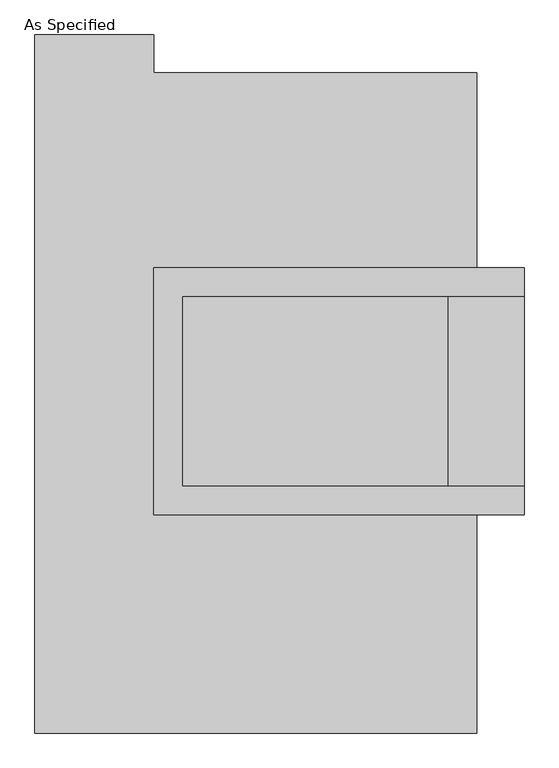
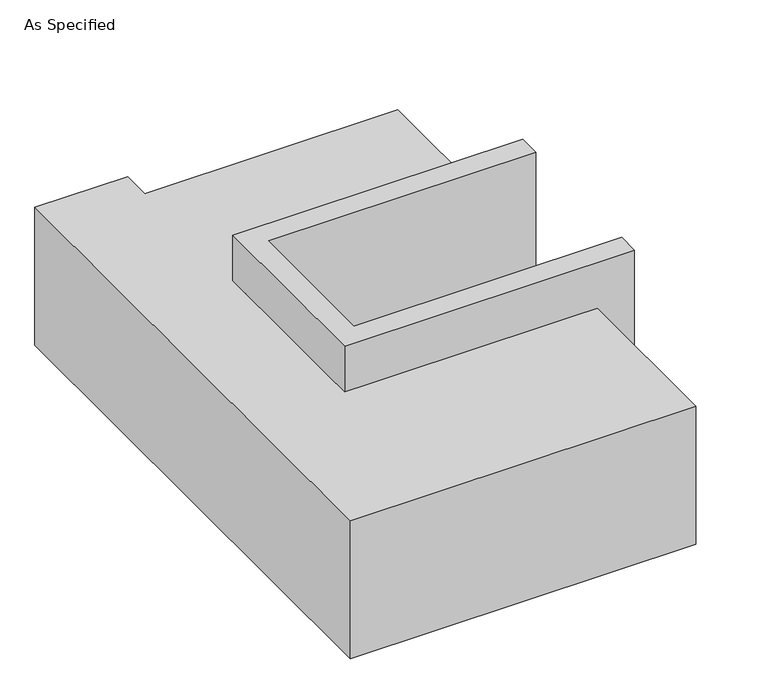
"""IFC4 building model written with IfcOpenShell, lengths in millimetres: proxy geometry, As Specified."""

from ifc_helpers import new_model, si_unit, origin, place, context, project, spatial, faceted_brep, source, transform, mapped, element, save


def as_specified_ed7e6edc(model_context):
    return source(origin(), model_context, "Body", "Brep", [
        faceted_brep([(-349.25, 361.95, 139.7), (-349.25, 361.95, -393.7), (-349.25, 285.75, -393.7), (-349.25, 285.75, -25.4), (-349.25, -222.25, -25.4), (-349.25, -222.25, -393.7), (-349.25, -298.45, -393.7), (-349.25, -298.45, 139.7), (641.35, 285.75, 139.7), (641.35, 285.75, -317.5), (641.35, -222.25, -317.5), (641.35, -222.25, 139.7), (641.35, -298.45, 139.7), (641.35, -298.45, -393.7), (641.35, 361.95, -393.7), (641.35, 361.95, 139.7), (-273.05, -222.25, 139.7), (-273.05, 285.75, 139.7), (438.15, -222.25, -393.7), (438.15, 285.75, -393.7), (438.15, -222.25, -317.5), (-273.05, -222.25, -25.4), (438.15, 285.75, -317.5), (-273.05, 285.75, -25.4)], [[[0, 1, 2, 3, 4, 5, 6, 7]], [[8, 9, 10, 11, 12, 13, 14, 15]], [[0, 7, 12, 11, 16, 17, 8, 15]], [[1, 0, 15, 14]], [[14, 13, 6, 5, 18, 19, 2, 1]], [[7, 6, 13, 12]], [[11, 10, 20, 18, 5, 4, 21, 16]], [[10, 9, 22, 20]], [[9, 8, 17, 23, 3, 2, 19, 22]], [[18, 20, 22, 19]], [[23, 21, 4, 3]], [[17, 16, 21, 23]]]),
        faceted_brep([(514.35, -882.65, -523.9742188), (-666.75, -882.65, -523.9742188), (-666.75, 984.25, -523.9742188), (-349.25, 984.25, -523.9742188), (-349.25, 882.65, -523.9742188), (514.35, 882.65, -523.9742188), (-666.75, -882.65, -25.4), (514.35, -882.65, -25.4), (514.35, -298.45, -25.4), (-349.25, -298.45, -25.4), (-349.25, 361.95, -25.4), (514.35, 361.95, -25.4), (514.35, 882.65, -25.4), (-349.25, 882.65, -25.4), (-349.25, 984.25, -25.4), (-666.75, 984.25, -25.4), (514.35, 361.95, -393.7), (514.35, -298.45, -393.7), (-349.25, -298.45, -393.7), (-349.25, 361.95, -393.7)], [[[0, 1, 2, 3, 4, 5]], [[6, 7, 8, 9, 10, 11, 12, 13, 14, 15]], [[12, 5, 4, 13]], [[2, 1, 6, 15]], [[5, 12, 11, 16, 17, 8, 7, 0]], [[1, 0, 7, 6]], [[18, 19, 10, 9]], [[10, 19, 16, 11]], [[19, 18, 17, 16]], [[18, 9, 8, 17]], [[3, 2, 15, 14]], [[4, 3, 14, 13]]]),
    ])


if __name__ == "__main__":
    model = new_model("IFC4")
    model_context = context("Model", 3, world=origin())
    ifc_project = project(units=[si_unit("LENGTHUNIT", "METRE", prefix="MILLI")], contexts=[model_context])
    site = spatial("IfcSite", under=ifc_project)
    building = spatial("IfcBuilding", under=site)
    placement = place(None, origin())
    as_specified_shape = as_specified_ed7e6edc(model_context)
    element("IfcBuildingElementProxy", 1, Name="As Specified", ObjectType="As Specified", at=placement, inside=building, context=model_context, shape_type="MappedRepresentation", body=[
        mapped(as_specified_shape, transform((0.0, 0.0, 0.0), x_axis=(1.0, 0.0, 0.0), y_axis=(0.0, 1.0, 0.0), z_axis=(0.0, 0.0, 1.0))),
    ])
    save(model, "model.ifc")
